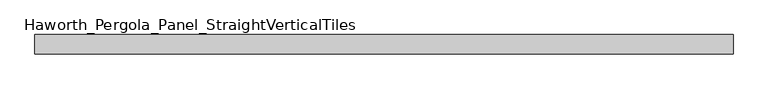
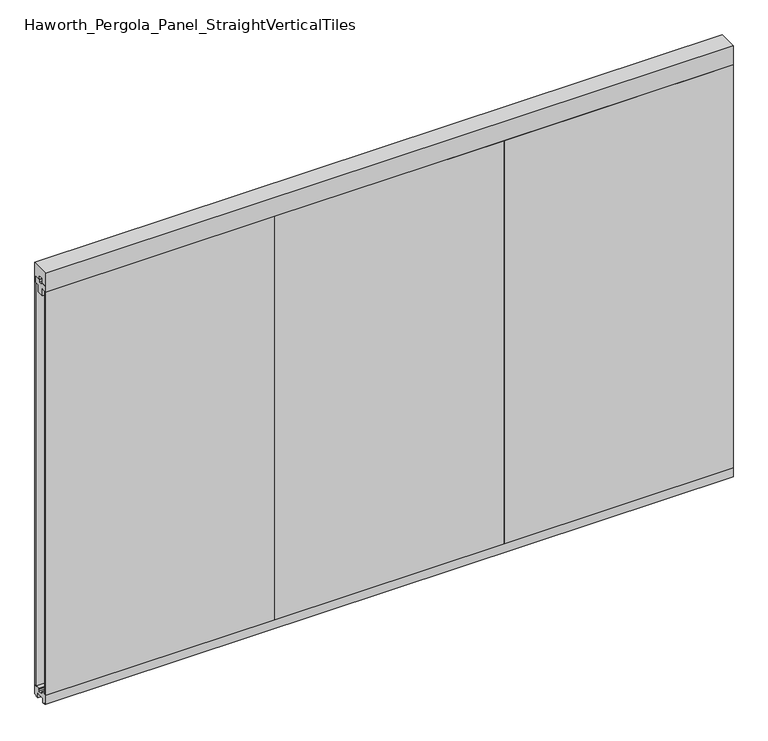
"""IFC4 building model written with IfcOpenShell, lengths in millimetres: furniture geometry, Haworth_Pergola_Panel_StraightVerticalTiles."""

import ifcopenshell
import ifcopenshell.guid

model = None  # the IFC model being written
_history = None  # IfcOwnerHistory: only IFC2X3 demands one
_inside = {}  # id of a spatial element -> (the spatial element, [elements in it])
_under = {}  # id of a project, library or spatial element -> (it, [spatial elements below it])
_declared = {}  # id of a project -> (the project, [libraries it declares])
_typed = {}  # id of a type object -> (the type object, [elements of that type])
_made_of = {}  # id of a material, layer set ... -> (it, [elements and type objects made of it])


def new_model(schema):
    """Start an empty IFC model of exactly this schema.

    Asked for "IFC4X3", IfcOpenShell would pick the latest addendum, in which some entities
    have other attributes; the version numbers below select the first issue.
    IFC2X3 requires an IfcOwnerHistory on every rooted entity: one is made here for all.
    """
    global model, _history
    if schema == "IFC4X3":
        model = ifcopenshell.file(schema_version=(4, 3, 0, 0))
    else:
        model = ifcopenshell.file(schema=schema)
    _inside.clear()
    _under.clear()
    _declared.clear()
    _typed.clear()
    _made_of.clear()
    _history = None
    if model.schema == "IFC2X3":
        org = make("IfcOrganization", Name="unknown")
        user = make(
            "IfcPersonAndOrganization",
            ThePerson=make("IfcPerson", FamilyName="unknown"),
            TheOrganization=org,
        )
        app = make(
            "IfcApplication",
            ApplicationDeveloper=org,
            Version="unknown",
            ApplicationFullName="unknown",
            ApplicationIdentifier="unknown",
        )
        _history = make(
            "IfcOwnerHistory",
            OwningUser=user,
            OwningApplication=app,
            ChangeAction="ADDED",
            CreationDate=0,
        )
    return model


def make(cls, **values):
    """One entity of the class cls with the attributes given. An attribute that is None is left unset."""
    return model.create_entity(
        cls, **{name: value for name, value in values.items() if value is not None}
    )


def rooted(cls, **values):
    """An entity with a GlobalId (a new one), such as an element, a storey or a relation."""
    return make(cls, GlobalId=ifcopenshell.guid.new(), OwnerHistory=_history, **values)


def si_unit(unit_type, name, prefix=None):
    """IfcSIUnit, for example si_unit("LENGTHUNIT", "METRE", prefix="MILLI")."""
    return make("IfcSIUnit", UnitType=unit_type, Prefix=prefix, Name=name)


def assignment(units):
    """IfcUnitAssignment: the units of a project."""
    return None if units is None else make("IfcUnitAssignment", Units=units)


def point(xyz):
    """IfcCartesianPoint."""
    return None if xyz is None else make("IfcCartesianPoint", Coordinates=xyz)


def direction(xyz):
    """IfcDirection."""
    return None if xyz is None else make("IfcDirection", DirectionRatios=xyz)


def frame(location, z_axis=None, x_axis=None):
    """IfcAxis2Placement3D, a coordinate frame: its origin and axes. An axis left out is left unset."""
    return make(
        "IfcAxis2Placement3D",
        Location=point(location),
        Axis=direction(z_axis),
        RefDirection=direction(x_axis),
    )


def origin():
    """The frame at (0, 0, 0) with its axes left unset."""
    return frame((0.0, 0.0, 0.0))


def place(relative_to, where):
    """IfcLocalPlacement: puts the frame where relative to a parent placement (None: the world)."""
    return make(
        "IfcLocalPlacement", PlacementRelTo=relative_to, RelativePlacement=where
    )


def context(
    kind, dimensions, precision=None, world=None, true_north=None, identifier=None
):
    """IfcGeometricRepresentationContext, for example the 3D "Model" context."""
    return make(
        "IfcGeometricRepresentationContext",
        ContextIdentifier=identifier,
        ContextType=kind,
        CoordinateSpaceDimension=dimensions,
        Precision=precision,
        WorldCoordinateSystem=world,
        TrueNorth=true_north,
    )


def project(units=None, contexts=None):
    """IfcProject with its units and contexts."""
    return rooted(
        "IfcProject",
        Name="project",
        RepresentationContexts=contexts,
        UnitsInContext=assignment(units),
    )


def spatial(cls, under=None, at=None, **own):
    """A site, building, storey or space (cls), placed at a placement, below another one or the project."""
    s = rooted(cls, ObjectPlacement=at, **own)
    if under is not None:
        _under.setdefault(under.id(), (under, []))[1].append(s)
    return s


def polyline(points):
    """IfcPolyline through the points."""
    return make("IfcPolyline", Points=[point(p) for p in points])


def outline(outer, holes=None, kind="AREA"):
    """IfcArbitraryClosedProfileDef: a profile drawn as a closed curve; with holes, ...WithVoids."""
    if holes is None:
        return make("IfcArbitraryClosedProfileDef", ProfileType=kind, OuterCurve=outer)
    return make(
        "IfcArbitraryProfileDefWithVoids",
        ProfileType=kind,
        OuterCurve=outer,
        InnerCurves=holes,
    )


def extrude(swept, where, along, depth):
    """IfcExtrudedAreaSolid: the profile swept, set in the frame where, extruded along a direction by depth."""
    return make(
        "IfcExtrudedAreaSolid",
        SweptArea=swept,
        Position=where,
        ExtrudedDirection=direction(along),
        Depth=depth,
    )


def shape(context_of_items, identifier, shape_type, items):
    """IfcShapeRepresentation: the items that make up one representation, for example the "Body"."""
    return make(
        "IfcShapeRepresentation",
        ContextOfItems=context_of_items,
        RepresentationIdentifier=identifier,
        RepresentationType=shape_type,
        Items=items,
    )


def source(mapping_origin, context_of_items, identifier, shape_type, items):
    """IfcRepresentationMap: a shape defined once, which mapped items show again and again."""
    return make(
        "IfcRepresentationMap",
        MappingOrigin=mapping_origin,
        MappedRepresentation=shape(context_of_items, identifier, shape_type, items),
    )


def transform(
    local_origin,
    x_axis=None,
    y_axis=None,
    z_axis=None,
    scale=None,
    scale2=None,
    scale3=None,
    uniform=True,
):
    """IfcCartesianTransformationOperator3D, or its non-uniform kind. x_axis, y_axis, z_axis: its Axis1, 2, 3."""
    if uniform:
        return make(
            "IfcCartesianTransformationOperator3D",
            Axis1=direction(x_axis),
            Axis2=direction(y_axis),
            LocalOrigin=point(local_origin),
            Scale=scale,
            Axis3=direction(z_axis),
        )
    return make(
        "IfcCartesianTransformationOperator3DnonUniform",
        Axis1=direction(x_axis),
        Axis2=direction(y_axis),
        LocalOrigin=point(local_origin),
        Scale=scale,
        Axis3=direction(z_axis),
        Scale2=scale2,
        Scale3=scale3,
    )


def mapped(mapping_source, mapping_target):
    """IfcMappedItem: shows the shape of a source again, moved by a transform."""
    return make(
        "IfcMappedItem", MappingSource=mapping_source, MappingTarget=mapping_target
    )


def made_of(thing, what):
    """Note that an element or type object is made of a material, layer set ...; save() writes the relation."""
    if what is not None:
        _made_of.setdefault(what.id(), (what, []))[1].append(thing)
    return thing


def element(
    cls,
    number,
    at=None,
    inside=None,
    cuts=None,
    type_object=None,
    material=None,
    context=None,
    identifier="Body",
    shape_type=None,
    held_by="IfcProductDefinitionShape",
    body=None,
    shapes=None,
    **own,
):
    """One element of the class cls, such as IfcWall. Its Tag is "e" and its number.

    at: its placement. inside: the storey or other place that contains it. cuts: it is an
    opening in that element (IfcRelVoidsElement). A single representation is given by context,
    identifier, shape_type and body (its items); several are given by shapes. held_by: the class
    of the entity that holds the representations. save() writes the other relations.
    """
    e = rooted(cls, Tag="e%d" % number, ObjectPlacement=at, **own)
    if body is not None:
        shapes = [shape(context, identifier, shape_type, body)]
    if shapes is not None:
        e.Representation = make(held_by, Representations=shapes)
    if inside is not None:
        _inside.setdefault(inside.id(), (inside, []))[1].append(e)
    if cuts is not None:
        rooted(
            "IfcRelVoidsElement", RelatingBuildingElement=cuts, RelatedOpeningElement=e
        )
    if type_object is not None:
        _typed.setdefault(type_object.id(), (type_object, []))[1].append(e)
    return made_of(e, material)


def aggregate(whole, parts):
    """IfcRelAggregates: a whole, such as a stair, and the parts it consists of."""
    return rooted("IfcRelAggregates", RelatingObject=whole, RelatedObjects=parts)


def save(model, path):
    """Write the relations noted so far, then the file.

    IfcRelAggregates (storeys below a building ...), IfcRelContainedInSpatialStructure (elements
    in a storey), IfcRelDefinesByType, IfcRelAssociatesMaterial and IfcRelDeclares: one each for
    every whole, place, type object, material and project.
    """
    for whole, parts in _under.values():
        aggregate(whole, parts)
    for where, things in _inside.values():
        rooted(
            "IfcRelContainedInSpatialStructure",
            RelatedElements=things,
            RelatingStructure=where,
        )
    for kind, things in _typed.values():
        rooted("IfcRelDefinesByType", RelatedObjects=things, RelatingType=kind)
    for what, things in _made_of.values():
        rooted("IfcRelAssociatesMaterial", RelatedObjects=things, RelatingMaterial=what)
    for by, libraries in _declared.values():
        rooted("IfcRelDeclares", RelatingContext=by, RelatedDefinitions=libraries)
    model.write(path)


def haworth_pergola_panel_straightverticaltiles_7274ccce(model_context):
    return source(origin(), model_context, "Body", "SweptSolid", [
        extrude(outline(polyline([(12.7, 2363.5890625), (44.45, 2363.5890625), (44.45, 2331.8390625), (19.05, 2331.8390625), (19.05, 2293.7390625), (-19.05, 2293.7390625), (-19.05, 2331.8390625), (-44.45, 2331.8390625), (-44.45, 2363.5890625), (-12.7, 2363.5890625), (-12.7, 2350.8890625), (12.7, 2350.8890625), (12.7, 2363.5890625)])), frame((647.7, 0.0, 0.0), z_axis=(1.0, 0.0, 0.0), x_axis=(0.0, 1.0, 0.0)), (0.0, 0.0, 1.0), 1219.2),
        extrude(outline(polyline([(647.7, 50.8), (1866.9, 50.8), (1866.9, 38.1), (647.7, 38.1), (647.7, 50.8)])), frame((0.0, 0.0, 63.5), z_axis=(0.0, 0.0, 1.0), x_axis=(1.0, 0.0, 0.0)), (0.0, 0.0, 1.0), 2268.3390625),
        extrude(outline(polyline([(647.7, -38.1), (1866.9, -38.1), (1866.9, -50.8), (647.7, -50.8), (647.7, -38.1)])), frame((0.0, 0.0, 63.5), z_axis=(0.0, 0.0, 1.0), x_axis=(1.0, 0.0, 0.0)), (0.0, 0.0, 1.0), 2268.3390625),
        extrude(outline(polyline([(12.7, 2363.5890625), (44.45, 2363.5890625), (44.45, 2331.8390625), (19.05, 2331.8390625), (19.05, 2293.7390625), (-19.05, 2293.7390625), (-19.05, 2331.8390625), (-44.45, 2331.8390625), (-44.45, 2363.5890625), (-12.7, 2363.5890625), (-12.7, 2350.8890625), (12.7, 2350.8890625), (12.7, 2363.5890625)])), frame((-571.5, 0.0, 0.0), z_axis=(1.0, 0.0, 0.0), x_axis=(0.0, 1.0, 0.0)), (0.0, 0.0, 1.0), 1219.2),
        extrude(outline(polyline([(-571.5, 50.8), (647.7, 50.8), (647.7, 38.1), (-571.5, 38.1), (-571.5, 50.8)])), frame((0.0, 0.0, 63.5), z_axis=(0.0, 0.0, 1.0), x_axis=(1.0, 0.0, 0.0)), (0.0, 0.0, 1.0), 2268.3390625),
        extrude(outline(polyline([(-571.5, -38.1), (647.7, -38.1), (647.7, -50.8), (-571.5, -50.8), (-571.5, -38.1)])), frame((0.0, 0.0, 63.5), z_axis=(0.0, 0.0, 1.0), x_axis=(1.0, 0.0, 0.0)), (0.0, 0.0, 1.0), 2268.3390625),
        extrude(outline(polyline([(12.7, 2363.5890625), (44.45, 2363.5890625), (44.45, 2331.8390625), (19.05, 2331.8390625), (19.05, 2293.7390625), (-19.05, 2293.7390625), (-19.05, 2331.8390625), (-44.45, 2331.8390625), (-44.45, 2363.5890625), (-12.7, 2363.5890625), (-12.7, 2350.8890625), (12.7, 2350.8890625), (12.7, 2363.5890625)])), frame((-1790.7, 0.0, 0.0), z_axis=(1.0, 0.0, 0.0), x_axis=(0.0, 1.0, 0.0)), (0.0, 0.0, 1.0), 1219.2),
        extrude(outline(polyline([(-1790.7, 50.8), (-571.5, 50.8), (-571.5, 38.1), (-1790.7, 38.1), (-1790.7, 50.8)])), frame((0.0, 0.0, 63.5), z_axis=(0.0, 0.0, 1.0), x_axis=(1.0, 0.0, 0.0)), (0.0, 0.0, 1.0), 2268.3390625),
        extrude(outline(polyline([(-1790.7, -38.1), (-571.5, -38.1), (-571.5, -50.8), (-1790.7, -50.8), (-1790.7, -38.1)])), frame((0.0, 0.0, 63.5), z_axis=(0.0, 0.0, 1.0), x_axis=(1.0, 0.0, 0.0)), (0.0, 0.0, 1.0), 2268.3390625),
        extrude(outline(polyline([(-50.8, 2438.4), (50.8, 2438.4), (50.8, 2331.8390625), (15.2182948, 2331.8390625), (15.2182948, 2388.7001663), (-15.2182948, 2388.7001663), (-15.2182948, 2331.8390625), (-50.8, 2331.8390625), (-50.8, 2438.4)])), frame((-1790.7, 0.0, 0.0), z_axis=(1.0, 0.0, 0.0), x_axis=(0.0, 1.0, 0.0)), (0.0, 0.0, 1.0), 3657.6),
        extrude(outline(polyline([(-16.2000002, 63.5), (-16.5085717, 61.7499999), (-13.3999996, 61.7499999), (-13.3999996, 58.8973461), (-15.4000002, 59.2499999), (-15.4000002, 48.3500004), (15.4000003, 48.3500004), (15.4000003, 59.2499999), (13.3999997, 58.8973461), (13.3999997, 61.7499999), (16.5085718, 61.7499999), (16.2000003, 63.5), (50.0000004, 63.5), (50.0000004, 12.6999985), (40.9499987, 12.6999985), (38.9499981, 10.6999979), (28.9499999, 10.6999979), (28.9499999, 7.6999994), (38.9499981, 7.6999994), (38.9499981, 5.6999988), (23.7499993, 5.6999988), (23.7499993, 31.4500009), (-23.7499992, 31.4500009), (-23.7499992, 5.6999988), (-38.949998, 5.6999988), (-38.949998, 7.6999994), (-28.9499998, 7.6999994), (-28.9499998, 10.6999979), (-38.949998, 10.6999979), (-40.9499986, 12.6999985), (-50.0000003, 12.6999985), (-50.0000003, 63.5), (-16.2000002, 63.5)])), frame((-1790.7, 0.0, 0.0), z_axis=(1.0, 0.0, 0.0), x_axis=(0.0, 1.0, 0.0)), (0.0, 0.0, 1.0), 3657.6),
    ])


if __name__ == "__main__":
    model = new_model("IFC4")
    model_context = context("Model", 3, world=origin())
    ifc_project = project(units=[si_unit("LENGTHUNIT", "METRE", prefix="MILLI")], contexts=[model_context])
    site = spatial("IfcSite", under=ifc_project)
    building = spatial("IfcBuilding", under=site)
    placement = place(None, origin())
    haworth_pergola_panel_straightverticaltiles_shape = haworth_pergola_panel_straightverticaltiles_7274ccce(model_context)
    element("IfcFurniture", 1, ObjectType="Haworth_Pergola_Panel_StraightVerticalTiles", at=placement, inside=building, context=model_context, shape_type="MappedRepresentation", body=[
        mapped(haworth_pergola_panel_straightverticaltiles_shape, transform((0.0, 0.0, 0.0), x_axis=(1.0, 0.0, 0.0), y_axis=(0.0, 1.0, 0.0), z_axis=(0.0, 0.0, 1.0))),
    ])
    save(model, "model.ifc")
